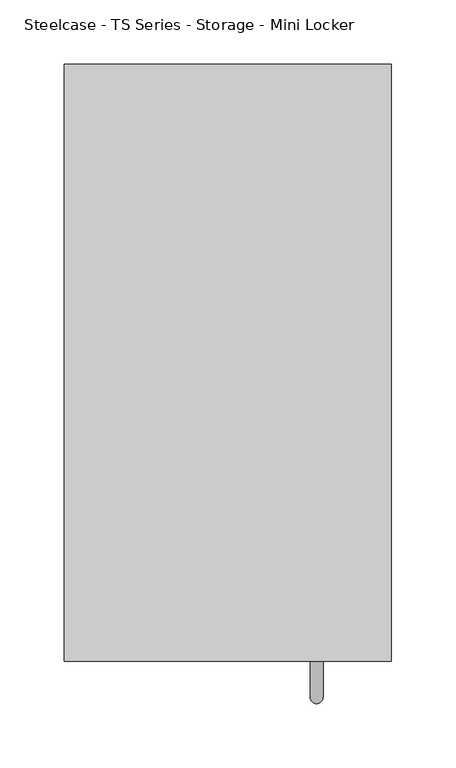
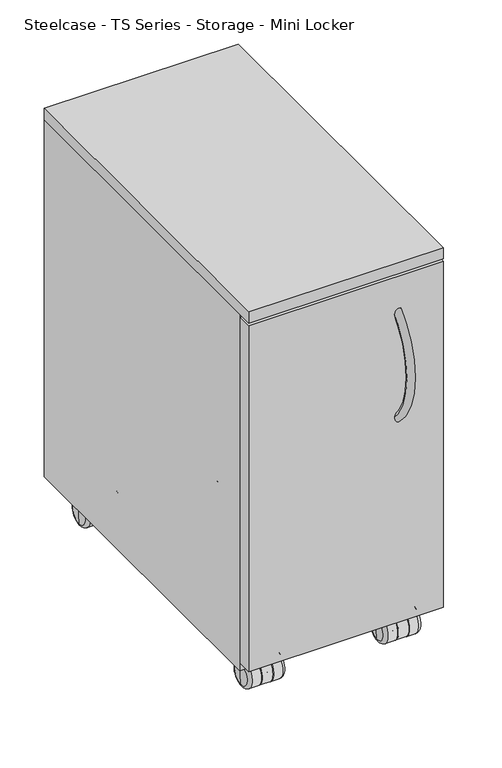
"""IFC4 building model written with IfcOpenShell, lengths in millimetres: furniture geometry, Steelcase - TS Series - Storage - Mini Locker."""

from ifc_helpers import new_model, si_unit, point, frame, frame_2d, origin, place, context, project, spatial, polyline, circle_curve, ellipse_curve, trimmed, segment, composite_curve, outline, extrude, source, transform, mapped, element, save
from ifc_brep_helpers import plane_surface, cylinder_surface, revolved_surface, advanced_brep


def steelcase_ts_series_storage_mini_locker_3437455a(model_context):
    return source(origin(), model_context, "Body", "SolidModel", [
        extrude(outline(composite_curve([segment(trimmed(circle_curve(frame_2d((690.582658, -893.1213726)), 6.7307907), [point((683.8518673, -893.1213726))], [point((697.3134487, -893.1213726))], False, "CARTESIAN"), True, "CONTINUOUS"), segment(trimmed(circle_curve(frame_2d((690.582658, -893.1213726)), 6.7307907), [point((697.3134487, -893.1213726))], [point((683.8518673, -893.1213726))], False, "CARTESIAN"), True, "CONTINUOUS")], self_intersect=False)), frame((0.0, 0.0, 7.3040774), z_axis=(0.0, 0.0, 1.0), x_axis=(1.0, 0.0, 0.0)), (0.0, 0.0, 1.0), 35.891348),
        advanced_brep(
        [(665.4020244, -879.1236777, 16.8528973), (666.3746163, -879.1236777, 30.9560996), (666.3746163, -879.1236777, 2.7496949), (670.7118263, -879.1236777, 35.2933096), (670.7118263, -879.1236777, -1.5875151), (682.4978948, -879.1236777, 35.2933096), (682.4978948, -879.1236777, -1.5875151), (682.4978948, -879.1236777, 24.5061168), (682.4978948, -879.1236777, 9.1996777), (683.8518673, -879.1236777, 24.5061168), (683.8518673, -879.1236777, 9.1996777), (683.8518673, -879.1236777, 35.2933096), (683.8518673, -879.1236777, -1.5875151), (697.3134487, -879.1236777, 35.2933096), (697.3134487, -879.1236777, -1.5875151), (697.3134487, -879.1236777, 24.5061168), (697.3134487, -879.1236777, 9.1996777), (698.6674211, -879.1236777, 24.5061168), (698.6674211, -879.1236777, 9.1996777), (698.6674211, -879.1236777, 35.2933096), (698.6674211, -879.1236777, -1.5875151), (710.4534897, -879.1236777, 35.2933096), (710.4534897, -879.1236777, -1.5875151), (714.7906997, -879.1236777, 30.9560996), (714.7906997, -879.1236777, 2.7496949), (715.7632915, -879.1236777, 16.8528973)],
        [
            (0, 1, circle_curve(frame((563.635605, -879.1236777, 30.9560996), z_axis=(0.0, -1.0, 0.0), x_axis=(-1.0, 0.0, 0.0)), 102.7390113)),
            (1, 2, circle_curve(frame((666.3746163, -879.1236777, 16.8528973), z_axis=(-1.0, 0.0, 0.0), x_axis=(0.0, 0.0, 1.0)), 14.1032024)),
            (2, 0, circle_curve(frame((563.635605, -879.1236777, 2.7496949), z_axis=(0.0, -1.0, 0.0), x_axis=(-1.0, 0.0, 0.0)), 102.7390113)),
            (2, 1, circle_curve(frame((666.3746163, -879.1236777, 16.8528973), z_axis=(-1.0, 0.0, 0.0), x_axis=(0.0, 0.0, 1.0)), 14.1032024)),
            (1, 3, circle_curve(frame((670.7118263, -879.1236777, 30.9560996), z_axis=(0.0, 1.0, 0.0), x_axis=(-1.0, 0.0, 0.0)), 4.33721)),
            (3, 4, circle_curve(frame((670.7118263, -879.1236777, 16.8528973), z_axis=(-1.0, 0.0, 0.0), x_axis=(0.0, 0.0, 1.0)), 18.4404124)),
            (4, 2, circle_curve(frame((670.7118263, -879.1236777, 2.7496949), z_axis=(0.0, 1.0, 0.0), x_axis=(-1.0, 0.0, 0.0)), 4.33721)),
            (4, 3, circle_curve(frame((670.7118263, -879.1236777, 16.8528973), z_axis=(-1.0, 0.0, 0.0), x_axis=(0.0, 0.0, 1.0)), 18.4404124)),
            (3, 5),
            (5, 6, circle_curve(frame((682.4978948, -879.1236777, 16.8528973), z_axis=(-1.0, 0.0, 0.0), x_axis=(0.0, 0.0, 1.0)), 18.4404124)),
            (6, 4),
            (6, 5, circle_curve(frame((682.4978948, -879.1236777, 16.8528973), z_axis=(-1.0, 0.0, 0.0), x_axis=(0.0, 0.0, 1.0)), 18.4404124)),
            (5, 7),
            (7, 8, circle_curve(frame((682.4978948, -879.1236777, 16.8528973), z_axis=(-1.0, 0.0, 0.0), x_axis=(0.0, 0.0, 1.0)), 7.6532196)),
            (8, 6),
            (8, 7, circle_curve(frame((682.4978948, -879.1236777, 16.8528973), z_axis=(-1.0, 0.0, 0.0), x_axis=(0.0, 0.0, 1.0)), 7.6532196)),
            (7, 9),
            (9, 10, circle_curve(frame((683.8518673, -879.1236777, 16.8528973), z_axis=(-1.0, 0.0, 0.0), x_axis=(0.0, 0.0, 1.0)), 7.6532196)),
            (10, 8),
            (10, 9, circle_curve(frame((683.8518673, -879.1236777, 16.8528973), z_axis=(-1.0, 0.0, 0.0), x_axis=(0.0, 0.0, 1.0)), 7.6532196)),
            (9, 11),
            (11, 12, circle_curve(frame((683.8518673, -879.1236777, 16.8528973), z_axis=(-1.0, 0.0, 0.0), x_axis=(0.0, 0.0, 1.0)), 18.4404124)),
            (12, 10),
            (12, 11, circle_curve(frame((683.8518673, -879.1236777, 16.8528973), z_axis=(-1.0, 0.0, 0.0), x_axis=(0.0, 0.0, 1.0)), 18.4404124)),
            (11, 13),
            (13, 14, circle_curve(frame((697.3134487, -879.1236777, 16.8528973), z_axis=(-1.0, 0.0, 0.0), x_axis=(0.0, 0.0, 1.0)), 18.4404124)),
            (14, 12),
            (14, 13, circle_curve(frame((697.3134487, -879.1236777, 16.8528973), z_axis=(-1.0, 0.0, 0.0), x_axis=(0.0, 0.0, 1.0)), 18.4404124)),
            (13, 15),
            (15, 16, circle_curve(frame((697.3134487, -879.1236777, 16.8528973), z_axis=(-1.0, 0.0, 0.0), x_axis=(0.0, 0.0, 1.0)), 7.6532196)),
            (16, 14),
            (16, 15, circle_curve(frame((697.3134487, -879.1236777, 16.8528973), z_axis=(-1.0, 0.0, 0.0), x_axis=(0.0, 0.0, 1.0)), 7.6532196)),
            (15, 17),
            (17, 18, circle_curve(frame((698.6674211, -879.1236777, 16.8528973), z_axis=(-1.0, 0.0, 0.0), x_axis=(0.0, 0.0, 1.0)), 7.6532196)),
            (18, 16),
            (18, 17, circle_curve(frame((698.6674211, -879.1236777, 16.8528973), z_axis=(-1.0, 0.0, 0.0), x_axis=(0.0, 0.0, 1.0)), 7.6532196)),
            (17, 19),
            (19, 20, circle_curve(frame((698.6674211, -879.1236777, 16.8528973), z_axis=(-1.0, 0.0, 0.0), x_axis=(0.0, 0.0, 1.0)), 18.4404124)),
            (20, 18),
            (20, 19, circle_curve(frame((698.6674211, -879.1236777, 16.8528973), z_axis=(-1.0, 0.0, 0.0), x_axis=(0.0, 0.0, 1.0)), 18.4404124)),
            (19, 21),
            (21, 22, circle_curve(frame((710.4534897, -879.1236777, 16.8528973), z_axis=(-1.0, 0.0, 0.0), x_axis=(0.0, 0.0, 1.0)), 18.4404124)),
            (22, 20),
            (22, 21, circle_curve(frame((710.4534897, -879.1236777, 16.8528973), z_axis=(-1.0, 0.0, 0.0), x_axis=(0.0, 0.0, 1.0)), 18.4404124)),
            (21, 23, circle_curve(frame((710.4534897, -879.1236777, 30.9560996), z_axis=(0.0, 1.0, 0.0), x_axis=(-1.0, 0.0, 0.0)), 4.33721)),
            (23, 24, circle_curve(frame((714.7906997, -879.1236777, 16.8528973), z_axis=(-1.0, 0.0, 0.0), x_axis=(0.0, 0.0, 1.0)), 14.1032024)),
            (24, 22, circle_curve(frame((710.4534897, -879.1236777, 2.7496949), z_axis=(0.0, 1.0, 0.0), x_axis=(-1.0, 0.0, 0.0)), 4.33721)),
            (24, 23, circle_curve(frame((714.7906997, -879.1236777, 16.8528973), z_axis=(-1.0, 0.0, 0.0), x_axis=(0.0, 0.0, 1.0)), 14.1032024)),
            (23, 25, circle_curve(frame((817.529711, -879.1236777, 30.9560996), z_axis=(0.0, -1.0, 0.0), x_axis=(-1.0, 0.0, 0.0)), 102.7390113)),
            (25, 24, circle_curve(frame((817.529711, -879.1236777, 2.7496949), z_axis=(0.0, -1.0, 0.0), x_axis=(-1.0, 0.0, 0.0)), 102.7390113)),
        ],
        [
            revolved_surface(trimmed(ellipse_curve(frame((563.635605, -879.1236777, 30.9560996), z_axis=(0.0, 1.0, 0.0), x_axis=(-1.0, 0.0, 0.0)), 102.7390113, 102.7390113), [point((666.3746163, -879.1236777, 30.9560996))], [point((665.4020244, -879.1236777, 16.8528973))], True, "CARTESIAN"), (683.0897593, -879.1236777, 16.8528973), (-1.0, 0.0, 0.0)),
            revolved_surface(trimmed(ellipse_curve(frame((670.7118263, -879.1236777, 30.9560996), z_axis=(0.0, -1.0, 0.0), x_axis=(-1.0, 0.0, 0.0)), 4.33721, 4.33721), [point((670.7118263, -879.1236777, 35.2933096))], [point((666.3746163, -879.1236777, 30.9560996))], True, "CARTESIAN"), (683.0897593, -879.1236777, 16.8528973), (-1.0, 0.0, 0.0)),
            cylinder_surface(frame((683.0897593, -879.1236777, 16.8528973), z_axis=(-1.0, 0.0, 0.0), x_axis=(0.0, 0.0, 1.0)), 18.4404124),
            plane_surface(frame((682.4978948, -879.1236777, 16.8528973), z_axis=(1.0, 0.0, 0.0), x_axis=(0.0, 0.0, 1.0))),
            cylinder_surface(frame((683.0897593, -879.1236777, 16.8528973), z_axis=(-1.0, 0.0, 0.0), x_axis=(0.0, 0.0, 1.0)), 7.6532196),
            plane_surface(frame((683.8518673, -879.1236777, 16.8528973), z_axis=(-1.0, 0.0, 0.0), x_axis=(0.0, 0.0, 1.0))),
            plane_surface(frame((697.3134487, -879.1236777, 16.8528973), z_axis=(1.0, 0.0, 0.0), x_axis=(0.0, 0.0, 1.0))),
            plane_surface(frame((698.6674211, -879.1236777, 16.8528973), z_axis=(-1.0, 0.0, 0.0), x_axis=(0.0, 0.0, 1.0))),
            revolved_surface(trimmed(ellipse_curve(frame((710.4534897, -879.1236777, 30.9560996), z_axis=(0.0, -1.0, 0.0), x_axis=(-1.0, 0.0, 0.0)), 4.33721, 4.33721), [point((714.7906997, -879.1236777, 30.9560996))], [point((710.4534897, -879.1236777, 35.2933096))], True, "CARTESIAN"), (683.0897593, -879.1236777, 16.8528973), (-1.0, 0.0, 0.0)),
            revolved_surface(trimmed(ellipse_curve(frame((817.529711, -879.1236777, 30.9560996), z_axis=(0.0, 1.0, 0.0), x_axis=(-1.0, 0.0, 0.0)), 102.7390113, 102.7390113), [point((715.7632915, -879.1236777, 16.8528973))], [point((714.7906997, -879.1236777, 30.9560996))], True, "CARTESIAN"), (683.0897593, -879.1236777, 16.8528973), (-1.0, 0.0, 0.0)),
        ],
        [
            (0, [[1, 2, 3]]),
            (0, [[-3, 4, -1]]),
            (1, [[-2, 5, 6, 7]]),
            (1, [[-4, -7, 8, -5]]),
            (2, [[-6, 9, 10, 11]]),
            (2, [[-8, -11, 12, -9]]),
            (3, [[-10, 13, 14, 15]]),
            (3, [[-12, -15, 16, -13]]),
            (4, [[-14, 17, 18, 19]]),
            (4, [[-16, -19, 20, -17]]),
            (5, [[-18, 21, 22, 23]]),
            (5, [[-20, -23, 24, -21]]),
            (2, [[-22, 25, 26, 27]]),
            (2, [[-24, -27, 28, -25]]),
            (6, [[-26, 29, 30, 31]]),
            (6, [[-28, -31, 32, -29]]),
            (4, [[-30, 33, 34, 35]]),
            (4, [[-32, -35, 36, -33]]),
            (7, [[-34, 37, 38, 39]]),
            (7, [[-36, -39, 40, -37]]),
            (2, [[-38, 41, 42, 43]]),
            (2, [[-40, -43, 44, -41]]),
            (8, [[-42, 45, 46, 47]]),
            (8, [[-44, -47, 48, -45]]),
            (9, [[-46, 49, 50]]),
            (9, [[-48, -50, -49]]),
        ],
    ),
        extrude(outline(composite_curve([segment(trimmed(circle_curve(frame_2d((868.5362277, -893.1213726)), 6.7307907), [point((875.2670184, -893.1213726))], [point((861.805437, -893.1213726))], False, "CARTESIAN"), True, "CONTINUOUS"), segment(trimmed(circle_curve(frame_2d((868.5362277, -893.1213726)), 6.7307907), [point((861.805437, -893.1213726))], [point((875.2670184, -893.1213726))], False, "CARTESIAN"), True, "CONTINUOUS")], self_intersect=False)), frame((0.0, 0.0, 7.3040774), z_axis=(0.0, 0.0, 1.0), x_axis=(1.0, 0.0, 0.0)), (0.0, 0.0, 1.0), 35.891348),
        advanced_brep(
        [(892.7442694, -879.1236777, 2.7496949), (892.7442694, -879.1236777, 30.9560996), (893.7168613, -879.1236777, 16.8528973), (888.4070594, -879.1236777, -1.5875151), (888.4070594, -879.1236777, 35.2933096), (876.6209909, -879.1236777, -1.5875151), (876.6209909, -879.1236777, 35.2933096), (876.6209909, -879.1236777, 9.1996777), (876.6209909, -879.1236777, 24.5061168), (875.2670184, -879.1236777, 9.1996777), (875.2670184, -879.1236777, 24.5061168), (875.2670184, -879.1236777, -1.5875151), (875.2670184, -879.1236777, 35.2933096), (861.805437, -879.1236777, -1.5875151), (861.805437, -879.1236777, 35.2933096), (861.805437, -879.1236777, 9.1996777), (861.805437, -879.1236777, 24.5061168), (860.4514646, -879.1236777, 9.1996777), (860.4514646, -879.1236777, 24.5061168), (860.4514646, -879.1236777, -1.5875151), (860.4514646, -879.1236777, 35.2933096), (848.665396, -879.1236777, -1.5875151), (848.665396, -879.1236777, 35.2933096), (844.328186, -879.1236777, 2.7496949), (844.328186, -879.1236777, 30.9560996), (843.3555942, -879.1236777, 16.8528973)],
        [
            (0, 1, circle_curve(frame((892.7442694, -879.1236777, 16.8528973), z_axis=(1.0, 0.0, 0.0), x_axis=(0.0, 0.0, 1.0)), 14.1032024)),
            (1, 2, circle_curve(frame((995.4832807, -879.1236777, 30.9560996), z_axis=(0.0, -1.0, 0.0), x_axis=(1.0, 0.0, 0.0)), 102.7390113)),
            (2, 0, circle_curve(frame((995.4832807, -879.1236777, 2.7496949), z_axis=(0.0, -1.0, 0.0), x_axis=(1.0, 0.0, 0.0)), 102.7390113)),
            (1, 0, circle_curve(frame((892.7442694, -879.1236777, 16.8528973), z_axis=(1.0, 0.0, 0.0), x_axis=(0.0, 0.0, 1.0)), 14.1032024)),
            (3, 4, circle_curve(frame((888.4070594, -879.1236777, 16.8528973), z_axis=(1.0, 0.0, 0.0), x_axis=(0.0, 0.0, 1.0)), 18.4404124)),
            (4, 1, circle_curve(frame((888.4070594, -879.1236777, 30.9560996), z_axis=(0.0, 1.0, 0.0), x_axis=(1.0, 0.0, 0.0)), 4.33721)),
            (0, 3, circle_curve(frame((888.4070594, -879.1236777, 2.7496949), z_axis=(0.0, 1.0, 0.0), x_axis=(1.0, 0.0, 0.0)), 4.33721)),
            (4, 3, circle_curve(frame((888.4070594, -879.1236777, 16.8528973), z_axis=(1.0, 0.0, 0.0), x_axis=(0.0, 0.0, 1.0)), 18.4404124)),
            (5, 6, circle_curve(frame((876.6209909, -879.1236777, 16.8528973), z_axis=(1.0, 0.0, 0.0), x_axis=(0.0, 0.0, 1.0)), 18.4404124)),
            (6, 4),
            (3, 5),
            (6, 5, circle_curve(frame((876.6209909, -879.1236777, 16.8528973), z_axis=(1.0, 0.0, 0.0), x_axis=(0.0, 0.0, 1.0)), 18.4404124)),
            (7, 8, circle_curve(frame((876.6209909, -879.1236777, 16.8528973), z_axis=(1.0, 0.0, 0.0), x_axis=(0.0, 0.0, 1.0)), 7.6532196)),
            (8, 6),
            (5, 7),
            (8, 7, circle_curve(frame((876.6209909, -879.1236777, 16.8528973), z_axis=(1.0, 0.0, 0.0), x_axis=(0.0, 0.0, 1.0)), 7.6532196)),
            (9, 10, circle_curve(frame((875.2670184, -879.1236777, 16.8528973), z_axis=(1.0, 0.0, 0.0), x_axis=(0.0, 0.0, 1.0)), 7.6532196)),
            (10, 8),
            (7, 9),
            (10, 9, circle_curve(frame((875.2670184, -879.1236777, 16.8528973), z_axis=(1.0, 0.0, 0.0), x_axis=(0.0, 0.0, 1.0)), 7.6532196)),
            (11, 12, circle_curve(frame((875.2670184, -879.1236777, 16.8528973), z_axis=(1.0, 0.0, 0.0), x_axis=(0.0, 0.0, 1.0)), 18.4404124)),
            (12, 10),
            (9, 11),
            (12, 11, circle_curve(frame((875.2670184, -879.1236777, 16.8528973), z_axis=(1.0, 0.0, 0.0), x_axis=(0.0, 0.0, 1.0)), 18.4404124)),
            (13, 14, circle_curve(frame((861.805437, -879.1236777, 16.8528973), z_axis=(1.0, 0.0, 0.0), x_axis=(0.0, 0.0, 1.0)), 18.4404124)),
            (14, 12),
            (11, 13),
            (14, 13, circle_curve(frame((861.805437, -879.1236777, 16.8528973), z_axis=(1.0, 0.0, 0.0), x_axis=(0.0, 0.0, 1.0)), 18.4404124)),
            (15, 16, circle_curve(frame((861.805437, -879.1236777, 16.8528973), z_axis=(1.0, 0.0, 0.0), x_axis=(0.0, 0.0, 1.0)), 7.6532196)),
            (16, 14),
            (13, 15),
            (16, 15, circle_curve(frame((861.805437, -879.1236777, 16.8528973), z_axis=(1.0, 0.0, 0.0), x_axis=(0.0, 0.0, 1.0)), 7.6532196)),
            (17, 18, circle_curve(frame((860.4514646, -879.1236777, 16.8528973), z_axis=(1.0, 0.0, 0.0), x_axis=(0.0, 0.0, 1.0)), 7.6532196)),
            (18, 16),
            (15, 17),
            (18, 17, circle_curve(frame((860.4514646, -879.1236777, 16.8528973), z_axis=(1.0, 0.0, 0.0), x_axis=(0.0, 0.0, 1.0)), 7.6532196)),
            (19, 20, circle_curve(frame((860.4514646, -879.1236777, 16.8528973), z_axis=(1.0, 0.0, 0.0), x_axis=(0.0, 0.0, 1.0)), 18.4404124)),
            (20, 18),
            (17, 19),
            (20, 19, circle_curve(frame((860.4514646, -879.1236777, 16.8528973), z_axis=(1.0, 0.0, 0.0), x_axis=(0.0, 0.0, 1.0)), 18.4404124)),
            (21, 22, circle_curve(frame((848.665396, -879.1236777, 16.8528973), z_axis=(1.0, 0.0, 0.0), x_axis=(0.0, 0.0, 1.0)), 18.4404124)),
            (22, 20),
            (19, 21),
            (22, 21, circle_curve(frame((848.665396, -879.1236777, 16.8528973), z_axis=(1.0, 0.0, 0.0), x_axis=(0.0, 0.0, 1.0)), 18.4404124)),
            (23, 24, circle_curve(frame((844.328186, -879.1236777, 16.8528973), z_axis=(1.0, 0.0, 0.0), x_axis=(0.0, 0.0, 1.0)), 14.1032024)),
            (24, 22, circle_curve(frame((848.665396, -879.1236777, 30.9560996), z_axis=(0.0, 1.0, 0.0), x_axis=(1.0, 0.0, 0.0)), 4.33721)),
            (21, 23, circle_curve(frame((848.665396, -879.1236777, 2.7496949), z_axis=(0.0, 1.0, 0.0), x_axis=(1.0, 0.0, 0.0)), 4.33721)),
            (24, 23, circle_curve(frame((844.328186, -879.1236777, 16.8528973), z_axis=(1.0, 0.0, 0.0), x_axis=(0.0, 0.0, 1.0)), 14.1032024)),
            (25, 24, circle_curve(frame((741.5891747, -879.1236777, 30.9560996), z_axis=(0.0, -1.0, 0.0), x_axis=(1.0, 0.0, 0.0)), 102.7390113)),
            (23, 25, circle_curve(frame((741.5891747, -879.1236777, 2.7496949), z_axis=(0.0, -1.0, 0.0), x_axis=(1.0, 0.0, 0.0)), 102.7390113)),
        ],
        [
            revolved_surface(trimmed(ellipse_curve(frame((995.4832807, -879.1236777, 30.9560996), z_axis=(0.0, 1.0, 0.0), x_axis=(1.0, 0.0, 0.0)), 102.7390113, 102.7390113), [point((893.7168613, -879.1236777, 16.8528973))], [point((892.7442694, -879.1236777, 30.9560996))], True, "CARTESIAN"), (876.0291264, -879.1236777, 16.8528973), (-1.0, 0.0, 0.0)),
            revolved_surface(trimmed(ellipse_curve(frame((888.4070594, -879.1236777, 30.9560996), z_axis=(0.0, -1.0, 0.0), x_axis=(1.0, 0.0, 0.0)), 4.33721, 4.33721), [point((892.7442694, -879.1236777, 30.9560996))], [point((888.4070594, -879.1236777, 35.2933096))], True, "CARTESIAN"), (876.0291264, -879.1236777, 16.8528973), (-1.0, 0.0, 0.0)),
            cylinder_surface(frame((876.0291264, -879.1236777, 16.8528973), z_axis=(-1.0, 0.0, 0.0), x_axis=(0.0, 0.0, 1.0)), 18.4404124),
            plane_surface(frame((876.6209909, -879.1236777, 16.8528973), z_axis=(-1.0, 0.0, 0.0), x_axis=(0.0, 0.0, 1.0))),
            cylinder_surface(frame((876.0291264, -879.1236777, 16.8528973), z_axis=(-1.0, 0.0, 0.0), x_axis=(0.0, 0.0, 1.0)), 7.6532196),
            plane_surface(frame((875.2670184, -879.1236777, 16.8528973), z_axis=(1.0, 0.0, 0.0), x_axis=(0.0, 0.0, 1.0))),
            plane_surface(frame((861.805437, -879.1236777, 16.8528973), z_axis=(-1.0, 0.0, 0.0), x_axis=(0.0, 0.0, 1.0))),
            plane_surface(frame((860.4514646, -879.1236777, 16.8528973), z_axis=(1.0, 0.0, 0.0), x_axis=(0.0, 0.0, 1.0))),
            revolved_surface(trimmed(ellipse_curve(frame((848.665396, -879.1236777, 30.9560996), z_axis=(0.0, -1.0, 0.0), x_axis=(1.0, 0.0, 0.0)), 4.33721, 4.33721), [point((848.665396, -879.1236777, 35.2933096))], [point((844.328186, -879.1236777, 30.9560996))], True, "CARTESIAN"), (876.0291264, -879.1236777, 16.8528973), (-1.0, 0.0, 0.0)),
            revolved_surface(trimmed(ellipse_curve(frame((741.5891747, -879.1236777, 30.9560996), z_axis=(0.0, 1.0, 0.0), x_axis=(1.0, 0.0, 0.0)), 102.7390113, 102.7390113), [point((844.328186, -879.1236777, 30.9560996))], [point((843.3555942, -879.1236777, 16.8528973))], True, "CARTESIAN"), (876.0291264, -879.1236777, 16.8528973), (-1.0, 0.0, 0.0)),
        ],
        [
            (0, [[1, 2, 3]]),
            (0, [[4, -3, -2]]),
            (1, [[5, 6, -1, 7]]),
            (1, [[8, -7, -4, -6]]),
            (2, [[9, 10, -5, 11]]),
            (2, [[12, -11, -8, -10]]),
            (3, [[13, 14, -9, 15]]),
            (3, [[16, -15, -12, -14]]),
            (4, [[17, 18, -13, 19]]),
            (4, [[20, -19, -16, -18]]),
            (5, [[21, 22, -17, 23]]),
            (5, [[24, -23, -20, -22]]),
            (2, [[25, 26, -21, 27]]),
            (2, [[28, -27, -24, -26]]),
            (6, [[29, 30, -25, 31]]),
            (6, [[32, -31, -28, -30]]),
            (4, [[33, 34, -29, 35]]),
            (4, [[36, -35, -32, -34]]),
            (7, [[37, 38, -33, 39]]),
            (7, [[40, -39, -36, -38]]),
            (2, [[41, 42, -37, 43]]),
            (2, [[44, -43, -40, -42]]),
            (8, [[45, 46, -41, 47]]),
            (8, [[48, -47, -44, -46]]),
            (9, [[49, -45, 50]]),
            (9, [[-50, -48, -49]]),
        ],
    ),
        extrude(outline(composite_curve([segment(trimmed(circle_curve(frame_2d((868.5362277, -1231.8396095)), 6.7307907), [point((875.2670184, -1231.8396095))], [point((861.805437, -1231.8396095))], False, "CARTESIAN"), True, "CONTINUOUS"), segment(trimmed(circle_curve(frame_2d((868.5362277, -1231.8396095)), 6.7307907), [point((861.805437, -1231.8396095))], [point((875.2670184, -1231.8396095))], False, "CARTESIAN"), True, "CONTINUOUS")], self_intersect=False)), frame((0.0, 0.0, 7.3040774), z_axis=(0.0, 0.0, 1.0), x_axis=(1.0, 0.0, 0.0)), (0.0, 0.0, 1.0), 35.891348),
        advanced_brep(
        [(893.7168613, -1245.8373044, 16.8528973), (892.7442694, -1245.8373044, 30.9560996), (892.7442694, -1245.8373044, 2.7496949), (888.4070594, -1245.8373044, 35.2933096), (888.4070594, -1245.8373044, -1.5875151), (876.6209909, -1245.8373044, 35.2933096), (876.6209909, -1245.8373044, -1.5875151), (876.6209909, -1245.8373044, 24.5061168), (876.6209909, -1245.8373044, 9.1996777), (875.2670184, -1245.8373044, 24.5061168), (875.2670184, -1245.8373044, 9.1996777), (875.2670184, -1245.8373044, 35.2933096), (875.2670184, -1245.8373044, -1.5875151), (861.805437, -1245.8373044, 35.2933096), (861.805437, -1245.8373044, -1.5875151), (861.805437, -1245.8373044, 24.5061168), (861.805437, -1245.8373044, 9.1996777), (860.4514646, -1245.8373044, 24.5061168), (860.4514646, -1245.8373044, 9.1996777), (860.4514646, -1245.8373044, 35.2933096), (860.4514646, -1245.8373044, -1.5875151), (848.665396, -1245.8373044, 35.2933096), (848.665396, -1245.8373044, -1.5875151), (844.328186, -1245.8373044, 30.9560996), (844.328186, -1245.8373044, 2.7496949), (843.3555942, -1245.8373044, 16.8528973)],
        [
            (0, 1, circle_curve(frame((995.4832807, -1245.8373044, 30.9560996), z_axis=(0.0, 1.0, 0.0), x_axis=(1.0, 0.0, 0.0)), 102.7390113)),
            (1, 2, circle_curve(frame((892.7442694, -1245.8373044, 16.8528973), z_axis=(1.0, 0.0, 0.0), x_axis=(0.0, 0.0, 1.0)), 14.1032024)),
            (2, 0, circle_curve(frame((995.4832807, -1245.8373044, 2.7496949), z_axis=(0.0, 1.0, 0.0), x_axis=(1.0, 0.0, 0.0)), 102.7390113)),
            (2, 1, circle_curve(frame((892.7442694, -1245.8373044, 16.8528973), z_axis=(1.0, 0.0, 0.0), x_axis=(0.0, 0.0, 1.0)), 14.1032024)),
            (1, 3, circle_curve(frame((888.4070594, -1245.8373044, 30.9560996), z_axis=(0.0, -1.0, 0.0), x_axis=(1.0, 0.0, 0.0)), 4.33721)),
            (3, 4, circle_curve(frame((888.4070594, -1245.8373044, 16.8528973), z_axis=(1.0, 0.0, 0.0), x_axis=(0.0, 0.0, 1.0)), 18.4404124)),
            (4, 2, circle_curve(frame((888.4070594, -1245.8373044, 2.7496949), z_axis=(0.0, -1.0, 0.0), x_axis=(1.0, 0.0, 0.0)), 4.33721)),
            (4, 3, circle_curve(frame((888.4070594, -1245.8373044, 16.8528973), z_axis=(1.0, 0.0, 0.0), x_axis=(0.0, 0.0, 1.0)), 18.4404124)),
            (3, 5),
            (5, 6, circle_curve(frame((876.6209909, -1245.8373044, 16.8528973), z_axis=(1.0, 0.0, 0.0), x_axis=(0.0, 0.0, 1.0)), 18.4404124)),
            (6, 4),
            (6, 5, circle_curve(frame((876.6209909, -1245.8373044, 16.8528973), z_axis=(1.0, 0.0, 0.0), x_axis=(0.0, 0.0, 1.0)), 18.4404124)),
            (5, 7),
            (7, 8, circle_curve(frame((876.6209909, -1245.8373044, 16.8528973), z_axis=(1.0, 0.0, 0.0), x_axis=(0.0, 0.0, 1.0)), 7.6532196)),
            (8, 6),
            (8, 7, circle_curve(frame((876.6209909, -1245.8373044, 16.8528973), z_axis=(1.0, 0.0, 0.0), x_axis=(0.0, 0.0, 1.0)), 7.6532196)),
            (7, 9),
            (9, 10, circle_curve(frame((875.2670184, -1245.8373044, 16.8528973), z_axis=(1.0, 0.0, 0.0), x_axis=(0.0, 0.0, 1.0)), 7.6532196)),
            (10, 8),
            (10, 9, circle_curve(frame((875.2670184, -1245.8373044, 16.8528973), z_axis=(1.0, 0.0, 0.0), x_axis=(0.0, 0.0, 1.0)), 7.6532196)),
            (9, 11),
            (11, 12, circle_curve(frame((875.2670184, -1245.8373044, 16.8528973), z_axis=(1.0, 0.0, 0.0), x_axis=(0.0, 0.0, 1.0)), 18.4404124)),
            (12, 10),
            (12, 11, circle_curve(frame((875.2670184, -1245.8373044, 16.8528973), z_axis=(1.0, 0.0, 0.0), x_axis=(0.0, 0.0, 1.0)), 18.4404124)),
            (11, 13),
            (13, 14, circle_curve(frame((861.805437, -1245.8373044, 16.8528973), z_axis=(1.0, 0.0, 0.0), x_axis=(0.0, 0.0, 1.0)), 18.4404124)),
            (14, 12),
            (14, 13, circle_curve(frame((861.805437, -1245.8373044, 16.8528973), z_axis=(1.0, 0.0, 0.0), x_axis=(0.0, 0.0, 1.0)), 18.4404124)),
            (13, 15),
            (15, 16, circle_curve(frame((861.805437, -1245.8373044, 16.8528973), z_axis=(1.0, 0.0, 0.0), x_axis=(0.0, 0.0, 1.0)), 7.6532196)),
            (16, 14),
            (16, 15, circle_curve(frame((861.805437, -1245.8373044, 16.8528973), z_axis=(1.0, 0.0, 0.0), x_axis=(0.0, 0.0, 1.0)), 7.6532196)),
            (15, 17),
            (17, 18, circle_curve(frame((860.4514646, -1245.8373044, 16.8528973), z_axis=(1.0, 0.0, 0.0), x_axis=(0.0, 0.0, 1.0)), 7.6532196)),
            (18, 16),
            (18, 17, circle_curve(frame((860.4514646, -1245.8373044, 16.8528973), z_axis=(1.0, 0.0, 0.0), x_axis=(0.0, 0.0, 1.0)), 7.6532196)),
            (17, 19),
            (19, 20, circle_curve(frame((860.4514646, -1245.8373044, 16.8528973), z_axis=(1.0, 0.0, 0.0), x_axis=(0.0, 0.0, 1.0)), 18.4404124)),
            (20, 18),
            (20, 19, circle_curve(frame((860.4514646, -1245.8373044, 16.8528973), z_axis=(1.0, 0.0, 0.0), x_axis=(0.0, 0.0, 1.0)), 18.4404124)),
            (19, 21),
            (21, 22, circle_curve(frame((848.665396, -1245.8373044, 16.8528973), z_axis=(1.0, 0.0, 0.0), x_axis=(0.0, 0.0, 1.0)), 18.4404124)),
            (22, 20),
            (22, 21, circle_curve(frame((848.665396, -1245.8373044, 16.8528973), z_axis=(1.0, 0.0, 0.0), x_axis=(0.0, 0.0, 1.0)), 18.4404124)),
            (21, 23, circle_curve(frame((848.665396, -1245.8373044, 30.9560996), z_axis=(0.0, -1.0, 0.0), x_axis=(1.0, 0.0, 0.0)), 4.33721)),
            (23, 24, circle_curve(frame((844.328186, -1245.8373044, 16.8528973), z_axis=(1.0, 0.0, 0.0), x_axis=(0.0, 0.0, 1.0)), 14.1032024)),
            (24, 22, circle_curve(frame((848.665396, -1245.8373044, 2.7496949), z_axis=(0.0, -1.0, 0.0), x_axis=(1.0, 0.0, 0.0)), 4.33721)),
            (24, 23, circle_curve(frame((844.328186, -1245.8373044, 16.8528973), z_axis=(1.0, 0.0, 0.0), x_axis=(0.0, 0.0, 1.0)), 14.1032024)),
            (23, 25, circle_curve(frame((741.5891747, -1245.8373044, 30.9560996), z_axis=(0.0, 1.0, 0.0), x_axis=(1.0, 0.0, 0.0)), 102.7390113)),
            (25, 24, circle_curve(frame((741.5891747, -1245.8373044, 2.7496949), z_axis=(0.0, 1.0, 0.0), x_axis=(1.0, 0.0, 0.0)), 102.7390113)),
        ],
        [
            revolved_surface(trimmed(ellipse_curve(frame((995.4832807, -1245.8373044, 30.9560996), z_axis=(0.0, -1.0, 0.0), x_axis=(1.0, 0.0, 0.0)), 102.7390113, 102.7390113), [point((892.7442694, -1245.8373044, 30.9560996))], [point((893.7168613, -1245.8373044, 16.8528973))], True, "CARTESIAN"), (876.0291264, -1245.8373044, 16.8528973), (1.0, 0.0, 0.0)),
            revolved_surface(trimmed(ellipse_curve(frame((888.4070594, -1245.8373044, 30.9560996), z_axis=(0.0, 1.0, 0.0), x_axis=(1.0, 0.0, 0.0)), 4.33721, 4.33721), [point((888.4070594, -1245.8373044, 35.2933096))], [point((892.7442694, -1245.8373044, 30.9560996))], True, "CARTESIAN"), (876.0291264, -1245.8373044, 16.8528973), (1.0, 0.0, 0.0)),
            cylinder_surface(frame((876.0291264, -1245.8373044, 16.8528973), z_axis=(1.0, 0.0, 0.0), x_axis=(0.0, 0.0, 1.0)), 18.4404124),
            plane_surface(frame((876.6209909, -1245.8373044, 16.8528973), z_axis=(-1.0, 0.0, 0.0), x_axis=(0.0, 0.0, 1.0))),
            cylinder_surface(frame((876.0291264, -1245.8373044, 16.8528973), z_axis=(1.0, 0.0, 0.0), x_axis=(0.0, 0.0, 1.0)), 7.6532196),
            plane_surface(frame((875.2670184, -1245.8373044, 16.8528973), z_axis=(1.0, 0.0, 0.0), x_axis=(0.0, 0.0, 1.0))),
            plane_surface(frame((861.805437, -1245.8373044, 16.8528973), z_axis=(-1.0, 0.0, 0.0), x_axis=(0.0, 0.0, 1.0))),
            plane_surface(frame((860.4514646, -1245.8373044, 16.8528973), z_axis=(1.0, 0.0, 0.0), x_axis=(0.0, 0.0, 1.0))),
            revolved_surface(trimmed(ellipse_curve(frame((848.665396, -1245.8373044, 30.9560996), z_axis=(0.0, 1.0, 0.0), x_axis=(1.0, 0.0, 0.0)), 4.33721, 4.33721), [point((844.328186, -1245.8373044, 30.9560996))], [point((848.665396, -1245.8373044, 35.2933096))], True, "CARTESIAN"), (876.0291264, -1245.8373044, 16.8528973), (1.0, 0.0, 0.0)),
            revolved_surface(trimmed(ellipse_curve(frame((741.5891747, -1245.8373044, 30.9560996), z_axis=(0.0, -1.0, 0.0), x_axis=(1.0, 0.0, 0.0)), 102.7390113, 102.7390113), [point((843.3555942, -1245.8373044, 16.8528973))], [point((844.328186, -1245.8373044, 30.9560996))], True, "CARTESIAN"), (876.0291264, -1245.8373044, 16.8528973), (1.0, 0.0, 0.0)),
        ],
        [
            (0, [[1, 2, 3]]),
            (0, [[-3, 4, -1]]),
            (1, [[-2, 5, 6, 7]]),
            (1, [[-4, -7, 8, -5]]),
            (2, [[-6, 9, 10, 11]]),
            (2, [[-8, -11, 12, -9]]),
            (3, [[-10, 13, 14, 15]]),
            (3, [[-12, -15, 16, -13]]),
            (4, [[-14, 17, 18, 19]]),
            (4, [[-16, -19, 20, -17]]),
            (5, [[-18, 21, 22, 23]]),
            (5, [[-20, -23, 24, -21]]),
            (2, [[-22, 25, 26, 27]]),
            (2, [[-24, -27, 28, -25]]),
            (6, [[-26, 29, 30, 31]]),
            (6, [[-28, -31, 32, -29]]),
            (4, [[-30, 33, 34, 35]]),
            (4, [[-32, -35, 36, -33]]),
            (7, [[-34, 37, 38, 39]]),
            (7, [[-36, -39, 40, -37]]),
            (2, [[-38, 41, 42, 43]]),
            (2, [[-40, -43, 44, -41]]),
            (8, [[-42, 45, 46, 47]]),
            (8, [[-44, -47, 48, -45]]),
            (9, [[-46, 49, 50]]),
            (9, [[-48, -50, -49]]),
        ],
    ),
        extrude(outline(composite_curve([segment(trimmed(circle_curve(frame_2d((690.582658, -1231.8396095)), 6.7307907), [point((683.8518673, -1231.8396095))], [point((697.3134487, -1231.8396095))], False, "CARTESIAN"), True, "CONTINUOUS"), segment(trimmed(circle_curve(frame_2d((690.582658, -1231.8396095)), 6.7307907), [point((697.3134487, -1231.8396095))], [point((683.8518673, -1231.8396095))], False, "CARTESIAN"), True, "CONTINUOUS")], self_intersect=False)), frame((0.0, 0.0, 7.3040774), z_axis=(0.0, 0.0, 1.0), x_axis=(1.0, 0.0, 0.0)), (0.0, 0.0, 1.0), 35.891348),
        advanced_brep(
        [(666.3746163, -1245.8373044, 2.7496949), (666.3746163, -1245.8373044, 30.9560996), (665.4020244, -1245.8373044, 16.8528973), (670.7118263, -1245.8373044, -1.5875151), (670.7118263, -1245.8373044, 35.2933096), (682.4978948, -1245.8373044, -1.5875151), (682.4978948, -1245.8373044, 35.2933096), (682.4978948, -1245.8373044, 9.1996777), (682.4978948, -1245.8373044, 24.5061168), (683.8518673, -1245.8373044, 9.1996777), (683.8518673, -1245.8373044, 24.5061168), (683.8518673, -1245.8373044, -1.5875151), (683.8518673, -1245.8373044, 35.2933096), (697.3134487, -1245.8373044, -1.5875151), (697.3134487, -1245.8373044, 35.2933096), (697.3134487, -1245.8373044, 9.1996777), (697.3134487, -1245.8373044, 24.5061168), (698.6674211, -1245.8373044, 9.1996777), (698.6674211, -1245.8373044, 24.5061168), (698.6674211, -1245.8373044, -1.5875151), (698.6674211, -1245.8373044, 35.2933096), (710.4534897, -1245.8373044, -1.5875151), (710.4534897, -1245.8373044, 35.2933096), (714.7906997, -1245.8373044, 2.7496949), (714.7906997, -1245.8373044, 30.9560996), (715.7632915, -1245.8373044, 16.8528973)],
        [
            (0, 1, circle_curve(frame((666.3746163, -1245.8373044, 16.8528973), z_axis=(-1.0, 0.0, 0.0), x_axis=(0.0, 0.0, 1.0)), 14.1032024)),
            (1, 2, circle_curve(frame((563.635605, -1245.8373044, 30.9560996), z_axis=(0.0, 1.0, 0.0), x_axis=(-1.0, 0.0, 0.0)), 102.7390113)),
            (2, 0, circle_curve(frame((563.635605, -1245.8373044, 2.7496949), z_axis=(0.0, 1.0, 0.0), x_axis=(-1.0, 0.0, 0.0)), 102.7390113)),
            (1, 0, circle_curve(frame((666.3746163, -1245.8373044, 16.8528973), z_axis=(-1.0, 0.0, 0.0), x_axis=(0.0, 0.0, 1.0)), 14.1032024)),
            (3, 4, circle_curve(frame((670.7118263, -1245.8373044, 16.8528973), z_axis=(-1.0, 0.0, 0.0), x_axis=(0.0, 0.0, 1.0)), 18.4404124)),
            (4, 1, circle_curve(frame((670.7118263, -1245.8373044, 30.9560996), z_axis=(0.0, -1.0, 0.0), x_axis=(-1.0, 0.0, 0.0)), 4.33721)),
            (0, 3, circle_curve(frame((670.7118263, -1245.8373044, 2.7496949), z_axis=(0.0, -1.0, 0.0), x_axis=(-1.0, 0.0, 0.0)), 4.33721)),
            (4, 3, circle_curve(frame((670.7118263, -1245.8373044, 16.8528973), z_axis=(-1.0, 0.0, 0.0), x_axis=(0.0, 0.0, 1.0)), 18.4404124)),
            (5, 6, circle_curve(frame((682.4978948, -1245.8373044, 16.8528973), z_axis=(-1.0, 0.0, 0.0), x_axis=(0.0, 0.0, 1.0)), 18.4404124)),
            (6, 4),
            (3, 5),
            (6, 5, circle_curve(frame((682.4978948, -1245.8373044, 16.8528973), z_axis=(-1.0, 0.0, 0.0), x_axis=(0.0, 0.0, 1.0)), 18.4404124)),
            (7, 8, circle_curve(frame((682.4978948, -1245.8373044, 16.8528973), z_axis=(-1.0, 0.0, 0.0), x_axis=(0.0, 0.0, 1.0)), 7.6532196)),
            (8, 6),
            (5, 7),
            (8, 7, circle_curve(frame((682.4978948, -1245.8373044, 16.8528973), z_axis=(-1.0, 0.0, 0.0), x_axis=(0.0, 0.0, 1.0)), 7.6532196)),
            (9, 10, circle_curve(frame((683.8518673, -1245.8373044, 16.8528973), z_axis=(-1.0, 0.0, 0.0), x_axis=(0.0, 0.0, 1.0)), 7.6532196)),
            (10, 8),
            (7, 9),
            (10, 9, circle_curve(frame((683.8518673, -1245.8373044, 16.8528973), z_axis=(-1.0, 0.0, 0.0), x_axis=(0.0, 0.0, 1.0)), 7.6532196)),
            (11, 12, circle_curve(frame((683.8518673, -1245.8373044, 16.8528973), z_axis=(-1.0, 0.0, 0.0), x_axis=(0.0, 0.0, 1.0)), 18.4404124)),
            (12, 10),
            (9, 11),
            (12, 11, circle_curve(frame((683.8518673, -1245.8373044, 16.8528973), z_axis=(-1.0, 0.0, 0.0), x_axis=(0.0, 0.0, 1.0)), 18.4404124)),
            (13, 14, circle_curve(frame((697.3134487, -1245.8373044, 16.8528973), z_axis=(-1.0, 0.0, 0.0), x_axis=(0.0, 0.0, 1.0)), 18.4404124)),
            (14, 12),
            (11, 13),
            (14, 13, circle_curve(frame((697.3134487, -1245.8373044, 16.8528973), z_axis=(-1.0, 0.0, 0.0), x_axis=(0.0, 0.0, 1.0)), 18.4404124)),
            (15, 16, circle_curve(frame((697.3134487, -1245.8373044, 16.8528973), z_axis=(-1.0, 0.0, 0.0), x_axis=(0.0, 0.0, 1.0)), 7.6532196)),
            (16, 14),
            (13, 15),
            (16, 15, circle_curve(frame((697.3134487, -1245.8373044, 16.8528973), z_axis=(-1.0, 0.0, 0.0), x_axis=(0.0, 0.0, 1.0)), 7.6532196)),
            (17, 18, circle_curve(frame((698.6674211, -1245.8373044, 16.8528973), z_axis=(-1.0, 0.0, 0.0), x_axis=(0.0, 0.0, 1.0)), 7.6532196)),
            (18, 16),
            (15, 17),
            (18, 17, circle_curve(frame((698.6674211, -1245.8373044, 16.8528973), z_axis=(-1.0, 0.0, 0.0), x_axis=(0.0, 0.0, 1.0)), 7.6532196)),
            (19, 20, circle_curve(frame((698.6674211, -1245.8373044, 16.8528973), z_axis=(-1.0, 0.0, 0.0), x_axis=(0.0, 0.0, 1.0)), 18.4404124)),
            (20, 18),
            (17, 19),
            (20, 19, circle_curve(frame((698.6674211, -1245.8373044, 16.8528973), z_axis=(-1.0, 0.0, 0.0), x_axis=(0.0, 0.0, 1.0)), 18.4404124)),
            (21, 22, circle_curve(frame((710.4534897, -1245.8373044, 16.8528973), z_axis=(-1.0, 0.0, 0.0), x_axis=(0.0, 0.0, 1.0)), 18.4404124)),
            (22, 20),
            (19, 21),
            (22, 21, circle_curve(frame((710.4534897, -1245.8373044, 16.8528973), z_axis=(-1.0, 0.0, 0.0), x_axis=(0.0, 0.0, 1.0)), 18.4404124)),
            (23, 24, circle_curve(frame((714.7906997, -1245.8373044, 16.8528973), z_axis=(-1.0, 0.0, 0.0), x_axis=(0.0, 0.0, 1.0)), 14.1032024)),
            (24, 22, circle_curve(frame((710.4534897, -1245.8373044, 30.9560996), z_axis=(0.0, -1.0, 0.0), x_axis=(-1.0, 0.0, 0.0)), 4.33721)),
            (21, 23, circle_curve(frame((710.4534897, -1245.8373044, 2.7496949), z_axis=(0.0, -1.0, 0.0), x_axis=(-1.0, 0.0, 0.0)), 4.33721)),
            (24, 23, circle_curve(frame((714.7906997, -1245.8373044, 16.8528973), z_axis=(-1.0, 0.0, 0.0), x_axis=(0.0, 0.0, 1.0)), 14.1032024)),
            (25, 24, circle_curve(frame((817.529711, -1245.8373044, 30.9560996), z_axis=(0.0, 1.0, 0.0), x_axis=(-1.0, 0.0, 0.0)), 102.7390113)),
            (23, 25, circle_curve(frame((817.529711, -1245.8373044, 2.7496949), z_axis=(0.0, 1.0, 0.0), x_axis=(-1.0, 0.0, 0.0)), 102.7390113)),
        ],
        [
            revolved_surface(trimmed(ellipse_curve(frame((563.635605, -1245.8373044, 30.9560996), z_axis=(0.0, -1.0, 0.0), x_axis=(-1.0, 0.0, 0.0)), 102.7390113, 102.7390113), [point((665.4020244, -1245.8373044, 16.8528973))], [point((666.3746163, -1245.8373044, 30.9560996))], True, "CARTESIAN"), (683.0897593, -1245.8373044, 16.8528973), (1.0, 0.0, 0.0)),
            revolved_surface(trimmed(ellipse_curve(frame((670.7118263, -1245.8373044, 30.9560996), z_axis=(0.0, 1.0, 0.0), x_axis=(-1.0, 0.0, 0.0)), 4.33721, 4.33721), [point((666.3746163, -1245.8373044, 30.9560996))], [point((670.7118263, -1245.8373044, 35.2933096))], True, "CARTESIAN"), (683.0897593, -1245.8373044, 16.8528973), (1.0, 0.0, 0.0)),
            cylinder_surface(frame((683.0897593, -1245.8373044, 16.8528973), z_axis=(1.0, 0.0, 0.0), x_axis=(0.0, 0.0, 1.0)), 18.4404124),
            plane_surface(frame((682.4978948, -1245.8373044, 16.8528973), z_axis=(1.0, 0.0, 0.0), x_axis=(0.0, 0.0, 1.0))),
            cylinder_surface(frame((683.0897593, -1245.8373044, 16.8528973), z_axis=(1.0, 0.0, 0.0), x_axis=(0.0, 0.0, 1.0)), 7.6532196),
            plane_surface(frame((683.8518673, -1245.8373044, 16.8528973), z_axis=(-1.0, 0.0, 0.0), x_axis=(0.0, 0.0, 1.0))),
            plane_surface(frame((697.3134487, -1245.8373044, 16.8528973), z_axis=(1.0, 0.0, 0.0), x_axis=(0.0, 0.0, 1.0))),
            plane_surface(frame((698.6674211, -1245.8373044, 16.8528973), z_axis=(-1.0, 0.0, 0.0), x_axis=(0.0, 0.0, 1.0))),
            revolved_surface(trimmed(ellipse_curve(frame((710.4534897, -1245.8373044, 30.9560996), z_axis=(0.0, 1.0, 0.0), x_axis=(-1.0, 0.0, 0.0)), 4.33721, 4.33721), [point((710.4534897, -1245.8373044, 35.2933096))], [point((714.7906997, -1245.8373044, 30.9560996))], True, "CARTESIAN"), (683.0897593, -1245.8373044, 16.8528973), (1.0, 0.0, 0.0)),
            revolved_surface(trimmed(ellipse_curve(frame((817.529711, -1245.8373044, 30.9560996), z_axis=(0.0, -1.0, 0.0), x_axis=(-1.0, 0.0, 0.0)), 102.7390113, 102.7390113), [point((714.7906997, -1245.8373044, 30.9560996))], [point((715.7632915, -1245.8373044, 16.8528973))], True, "CARTESIAN"), (683.0897593, -1245.8373044, 16.8528973), (1.0, 0.0, 0.0)),
        ],
        [
            (0, [[1, 2, 3]]),
            (0, [[4, -3, -2]]),
            (1, [[5, 6, -1, 7]]),
            (1, [[8, -7, -4, -6]]),
            (2, [[9, 10, -5, 11]]),
            (2, [[12, -11, -8, -10]]),
            (3, [[13, 14, -9, 15]]),
            (3, [[16, -15, -12, -14]]),
            (4, [[17, 18, -13, 19]]),
            (4, [[20, -19, -16, -18]]),
            (5, [[21, 22, -17, 23]]),
            (5, [[24, -23, -20, -22]]),
            (2, [[25, 26, -21, 27]]),
            (2, [[28, -27, -24, -26]]),
            (6, [[29, 30, -25, 31]]),
            (6, [[32, -31, -28, -30]]),
            (4, [[33, 34, -29, 35]]),
            (4, [[36, -35, -32, -34]]),
            (7, [[37, 38, -33, 39]]),
            (7, [[40, -39, -36, -38]]),
            (2, [[41, 42, -37, 43]]),
            (2, [[44, -43, -40, -42]]),
            (8, [[45, 46, -41, 47]]),
            (8, [[48, -47, -44, -46]]),
            (9, [[49, -45, 50]]),
            (9, [[-50, -48, -49]]),
        ],
    ),
        advanced_brep(
        [(843.3172953, -1281.555491, 483.5165321), (853.4772953, -1281.555491, 483.5165321), (843.3172953, -1281.555491, 327.9459963), (853.4772953, -1281.555491, 327.9459963)],
        [
            (0, 1, circle_curve(frame((848.3972953, -1281.555491, 483.5165321), z_axis=(0.0, 0.7344240065791088, 0.6786909300707422), x_axis=(1.0, 0.0, 0.0)), 5.08)),
            (1, 0, circle_curve(frame((848.3972953, -1281.555491, 483.5165321), z_axis=(0.0, 0.7344240065791088, 0.6786909300707422), x_axis=(1.0, 0.0, 0.0)), 5.08)),
            (2, 3, circle_curve(frame((848.3972953, -1281.555491, 327.9459963), z_axis=(0.0, 0.7344240065790965, -0.6786909300707554), x_axis=(1.0, 0.0, 0.0)), 5.08)),
            (3, 2, circle_curve(frame((848.3972953, -1281.555491, 327.9459963), z_axis=(0.0, 0.7344240065790965, -0.6786909300707554), x_axis=(1.0, 0.0, 0.0)), 5.08)),
            (3, 1, circle_curve(frame((853.4772953, -1209.673097, 405.7312642), z_axis=(-1.0, 0.0, 0.0), x_axis=(0.0, -0.6786909300707422, 0.7344240065791088)), 105.9132969)),
            (0, 2, circle_curve(frame((843.3172953, -1209.673097, 405.7312642), z_axis=(1.0, 0.0, 0.0), x_axis=(0.0, -0.6786909300707422, 0.7344240065791088)), 105.9132969)),
        ],
        [
            plane_surface(frame((848.6155717, -1281.555491, 483.5165321), z_axis=(0.0, 0.7344240065791088, 0.6786909300707422), x_axis=(1.0, 0.0, 0.0))),
            plane_surface(frame((848.6155717, -1281.555491, 327.9459963), z_axis=(0.0, 0.7344240065790967, -0.6786909300707555), x_axis=(1.0, 0.0, 0.0))),
            revolved_surface(trimmed(ellipse_curve(frame((848.3972953, -1281.555491, 483.5165321), z_axis=(0.0, 0.7344240065791088, 0.6786909300707422), x_axis=(1.0, 0.0, 0.0)), 5.08, 5.08), [point((843.3172953, -1281.555491, 483.5165321))], [point((853.4772953, -1281.555491, 483.5165321))], True, "CARTESIAN"), (848.6155717, -1209.673097, 405.7312642), (1.0, 0.0, 0.0)),
            revolved_surface(trimmed(ellipse_curve(frame((848.3972953, -1281.555491, 483.5165321), z_axis=(0.0, 0.7344240065791088, 0.6786909300707422), x_axis=(1.0, 0.0, 0.0)), 5.08, 5.08), [point((853.4772953, -1281.555491, 483.5165321))], [point((843.3172953, -1281.555491, 483.5165321))], True, "CARTESIAN"), (848.6155717, -1209.673097, 405.7312642), (1.0, 0.0, 0.0)),
        ],
        [
            (0, [[1, 2]]),
            (1, [[3, 4]]),
            (2, [[5, -1, 6, -4]]),
            (3, [[-6, -2, -5, -3]]),
        ],
    ),
        extrude(outline(polyline([(906.5594429, -1268.7761191), (906.5594429, -1287.905491), (652.5594429, -1287.905491), (652.5594429, -1268.7761191), (906.5594429, -1268.7761191)])), frame((0.0, 0.0, 50.7593862), z_axis=(0.0, 0.0, 1.0), x_axis=(1.0, 0.0, 0.0)), (0.0, 0.0, 1.0), 478.2588231),
        extrude(outline(polyline([(906.5594429, -824.355491), (906.5594429, -1287.905491), (652.5594429, -1287.905491), (652.5594429, -824.355491), (906.5594429, -824.355491)])), frame((0.0, 0.0, 532.1935969), z_axis=(0.0, 0.0, 1.0), x_axis=(1.0, 0.0, 0.0)), (0.0, 0.0, 1.0), 15.8749031),
        extrude(outline(polyline([(906.5594429, -824.355491), (906.5594429, -1267.1886191), (652.5594429, -1267.1886191), (652.5594429, -824.355491), (906.5594429, -824.355491)])), frame((0.0, 0.0, 39.3065), z_axis=(0.0, 0.0, 1.0), x_axis=(1.0, 0.0, 0.0)), (0.0, 0.0, 1.0), 492.8870969),
    ])


if __name__ == "__main__":
    model = new_model("IFC4")
    model_context = context("Model", 3, world=origin())
    ifc_project = project(units=[si_unit("LENGTHUNIT", "METRE", prefix="MILLI")], contexts=[model_context])
    site = spatial("IfcSite", under=ifc_project)
    building = spatial("IfcBuilding", under=site)
    placement = place(None, origin())
    steelcase_ts_series_storage_mini_locker_shape = steelcase_ts_series_storage_mini_locker_3437455a(model_context)
    element("IfcFurniture", 1, ObjectType="Steelcase - TS Series - Storage - Mini Locker", at=placement, inside=building, context=model_context, shape_type="MappedRepresentation", body=[
        mapped(steelcase_ts_series_storage_mini_locker_shape, transform((0.0, 0.0, 0.0), x_axis=(1.0, 0.0, 0.0), y_axis=(0.0, 1.0, 0.0), z_axis=(0.0, 0.0, 1.0))),
    ])
    save(model, "model.ifc")
